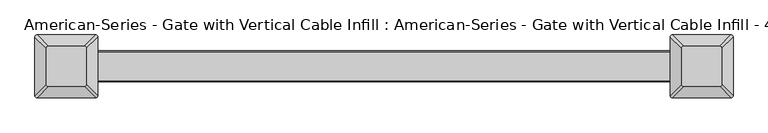
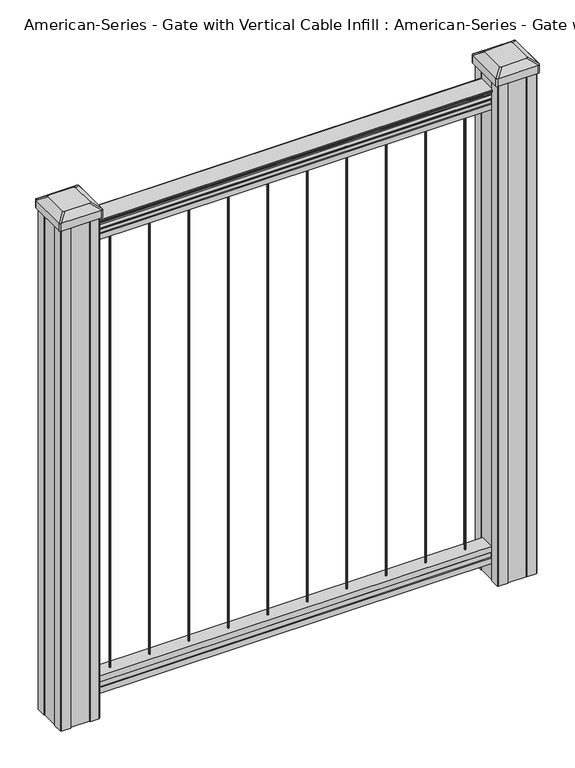
"""IFC4 building model written with IfcOpenShell, lengths in millimetres: proxy geometry."""

from ifc_helpers import new_model, si_unit, point, frame, frame_2d, origin, place, context, project, spatial, polyline, circle_curve, trimmed, segment, composite_curve, outline, extrude, source, transform, mapped, element, save
from ifc_brep_helpers import plane_surface, extruded_surface, advanced_brep


def proxy_68163656(model_context):
    return source(origin(), model_context, "Body", "SolidModel", [
        extrude(outline(composite_curve([segment(trimmed(circle_curve(frame_2d((288.925, 0.0)), 1.5875), [point((288.925, 1.5875))], [point((290.5125, 0.0))], False, "CARTESIAN"), True, "CONTINUOUS"), segment(trimmed(circle_curve(frame_2d((288.925, 0.0)), 1.5875), [point((290.5125, 0.0))], [point((288.925, -1.5875))], False, "CARTESIAN"), True, "CONTINUOUS"), segment(trimmed(circle_curve(frame_2d((288.925, 0.0)), 1.5875), [point((288.925, -1.5875))], [point((287.3375, 0.0))], False, "CARTESIAN"), True, "CONTINUOUS"), segment(trimmed(circle_curve(frame_2d((288.925, 0.0)), 1.5875), [point((287.3375, 0.0))], [point((288.925, 1.5875))], False, "CARTESIAN"), True, "CONTINUOUS")], self_intersect=False)), frame((0.0, 0.0, 101.6), z_axis=(0.0, 0.0, 1.0), x_axis=(1.0, 0.0, 0.0)), (0.0, 0.0, 1.0), 965.2),
        extrude(outline(composite_curve([segment(trimmed(circle_curve(frame_2d((206.375, 0.0)), 1.5875), [point((206.375, 1.5875))], [point((207.9625, 0.0))], False, "CARTESIAN"), True, "CONTINUOUS"), segment(trimmed(circle_curve(frame_2d((206.375, 0.0)), 1.5875), [point((207.9625, 0.0))], [point((206.375, -1.5875))], False, "CARTESIAN"), True, "CONTINUOUS"), segment(trimmed(circle_curve(frame_2d((206.375, 0.0)), 1.5875), [point((206.375, -1.5875))], [point((204.7875, 0.0))], False, "CARTESIAN"), True, "CONTINUOUS"), segment(trimmed(circle_curve(frame_2d((206.375, 0.0)), 1.5875), [point((204.7875, 0.0))], [point((206.375, 1.5875))], False, "CARTESIAN"), True, "CONTINUOUS")], self_intersect=False)), frame((0.0, 0.0, 101.6), z_axis=(0.0, 0.0, 1.0), x_axis=(1.0, 0.0, 0.0)), (0.0, 0.0, 1.0), 965.2),
        extrude(outline(composite_curve([segment(trimmed(circle_curve(frame_2d((123.825, 0.0)), 1.5875), [point((123.825, 1.5875))], [point((125.4125, 0.0))], False, "CARTESIAN"), True, "CONTINUOUS"), segment(trimmed(circle_curve(frame_2d((123.825, 0.0)), 1.5875), [point((125.4125, 0.0))], [point((123.825, -1.5875))], False, "CARTESIAN"), True, "CONTINUOUS"), segment(trimmed(circle_curve(frame_2d((123.825, 0.0)), 1.5875), [point((123.825, -1.5875))], [point((122.2375, 0.0))], False, "CARTESIAN"), True, "CONTINUOUS"), segment(trimmed(circle_curve(frame_2d((123.825, 0.0)), 1.5875), [point((122.2375, 0.0))], [point((123.825, 1.5875))], False, "CARTESIAN"), True, "CONTINUOUS")], self_intersect=False)), frame((0.0, 0.0, 101.6), z_axis=(0.0, 0.0, 1.0), x_axis=(1.0, 0.0, 0.0)), (0.0, 0.0, 1.0), 965.2),
        extrude(outline(composite_curve([segment(trimmed(circle_curve(frame_2d((41.275, 0.0)), 1.5875), [point((41.275, 1.5875))], [point((42.8625, 0.0))], False, "CARTESIAN"), True, "CONTINUOUS"), segment(trimmed(circle_curve(frame_2d((41.275, 0.0)), 1.5875), [point((42.8625, 0.0))], [point((41.275, -1.5875))], False, "CARTESIAN"), True, "CONTINUOUS"), segment(trimmed(circle_curve(frame_2d((41.275, 0.0)), 1.5875), [point((41.275, -1.5875))], [point((39.6875, 0.0))], False, "CARTESIAN"), True, "CONTINUOUS"), segment(trimmed(circle_curve(frame_2d((41.275, 0.0)), 1.5875), [point((39.6875, 0.0))], [point((41.275, 1.5875))], False, "CARTESIAN"), True, "CONTINUOUS")], self_intersect=False)), frame((0.0, 0.0, 101.6), z_axis=(0.0, 0.0, 1.0), x_axis=(1.0, 0.0, 0.0)), (0.0, 0.0, 1.0), 965.2),
        extrude(outline(composite_curve([segment(trimmed(circle_curve(frame_2d((-41.275, 0.0)), 1.5875), [point((-41.275, 1.5875))], [point((-39.6875, 0.0))], False, "CARTESIAN"), True, "CONTINUOUS"), segment(trimmed(circle_curve(frame_2d((-41.275, 0.0)), 1.5875), [point((-39.6875, 0.0))], [point((-41.275, -1.5875))], False, "CARTESIAN"), True, "CONTINUOUS"), segment(trimmed(circle_curve(frame_2d((-41.275, 0.0)), 1.5875), [point((-41.275, -1.5875))], [point((-42.8625, 0.0))], False, "CARTESIAN"), True, "CONTINUOUS"), segment(trimmed(circle_curve(frame_2d((-41.275, 0.0)), 1.5875), [point((-42.8625, 0.0))], [point((-41.275, 1.5875))], False, "CARTESIAN"), True, "CONTINUOUS")], self_intersect=False)), frame((0.0, 0.0, 101.6), z_axis=(0.0, 0.0, 1.0), x_axis=(1.0, 0.0, 0.0)), (0.0, 0.0, 1.0), 965.2),
        extrude(outline(composite_curve([segment(trimmed(circle_curve(frame_2d((-123.825, 0.0)), 1.5875), [point((-123.825, 1.5875))], [point((-122.2375, 0.0))], False, "CARTESIAN"), True, "CONTINUOUS"), segment(trimmed(circle_curve(frame_2d((-123.825, 0.0)), 1.5875), [point((-122.2375, 0.0))], [point((-123.825, -1.5875))], False, "CARTESIAN"), True, "CONTINUOUS"), segment(trimmed(circle_curve(frame_2d((-123.825, 0.0)), 1.5875), [point((-123.825, -1.5875))], [point((-125.4125, 0.0))], False, "CARTESIAN"), True, "CONTINUOUS"), segment(trimmed(circle_curve(frame_2d((-123.825, 0.0)), 1.5875), [point((-125.4125, 0.0))], [point((-123.825, 1.5875))], False, "CARTESIAN"), True, "CONTINUOUS")], self_intersect=False)), frame((0.0, 0.0, 101.6), z_axis=(0.0, 0.0, 1.0), x_axis=(1.0, 0.0, 0.0)), (0.0, 0.0, 1.0), 965.2),
        extrude(outline(composite_curve([segment(trimmed(circle_curve(frame_2d((-206.375, 0.0)), 1.5875), [point((-206.375, 1.5875))], [point((-204.7875, 0.0))], False, "CARTESIAN"), True, "CONTINUOUS"), segment(trimmed(circle_curve(frame_2d((-206.375, 0.0)), 1.5875), [point((-204.7875, 0.0))], [point((-206.375, -1.5875))], False, "CARTESIAN"), True, "CONTINUOUS"), segment(trimmed(circle_curve(frame_2d((-206.375, 0.0)), 1.5875), [point((-206.375, -1.5875))], [point((-207.9625, 0.0))], False, "CARTESIAN"), True, "CONTINUOUS"), segment(trimmed(circle_curve(frame_2d((-206.375, 0.0)), 1.5875), [point((-207.9625, 0.0))], [point((-206.375, 1.5875))], False, "CARTESIAN"), True, "CONTINUOUS")], self_intersect=False)), frame((0.0, 0.0, 101.6), z_axis=(0.0, 0.0, 1.0), x_axis=(1.0, 0.0, 0.0)), (0.0, 0.0, 1.0), 965.2),
        extrude(outline(composite_curve([segment(trimmed(circle_curve(frame_2d((-288.925, 0.0)), 1.5875), [point((-288.925, 1.5875))], [point((-287.3375, 0.0))], False, "CARTESIAN"), True, "CONTINUOUS"), segment(trimmed(circle_curve(frame_2d((-288.925, 0.0)), 1.5875), [point((-287.3375, 0.0))], [point((-288.925, -1.5875))], False, "CARTESIAN"), True, "CONTINUOUS"), segment(trimmed(circle_curve(frame_2d((-288.925, 0.0)), 1.5875), [point((-288.925, -1.5875))], [point((-290.5125, 0.0))], False, "CARTESIAN"), True, "CONTINUOUS"), segment(trimmed(circle_curve(frame_2d((-288.925, 0.0)), 1.5875), [point((-290.5125, 0.0))], [point((-288.925, 1.5875))], False, "CARTESIAN"), True, "CONTINUOUS")], self_intersect=False)), frame((0.0, 0.0, 101.6), z_axis=(0.0, 0.0, 1.0), x_axis=(1.0, 0.0, 0.0)), (0.0, 0.0, 1.0), 965.2),
        extrude(outline(composite_curve([segment(trimmed(circle_curve(frame_2d((371.475, 0.0)), 1.5875), [point((371.475, 1.5875))], [point((373.0625, 0.0))], False, "CARTESIAN"), True, "CONTINUOUS"), segment(trimmed(circle_curve(frame_2d((371.475, 0.0)), 1.5875), [point((373.0625, 0.0))], [point((371.475, -1.5875))], False, "CARTESIAN"), True, "CONTINUOUS"), segment(trimmed(circle_curve(frame_2d((371.475, 0.0)), 1.5875), [point((371.475, -1.5875))], [point((369.8875, 0.0))], False, "CARTESIAN"), True, "CONTINUOUS"), segment(trimmed(circle_curve(frame_2d((371.475, 0.0)), 1.5875), [point((369.8875, 0.0))], [point((371.475, 1.5875))], False, "CARTESIAN"), True, "CONTINUOUS")], self_intersect=False)), frame((0.0, 0.0, 101.6), z_axis=(0.0, 0.0, 1.0), x_axis=(1.0, 0.0, 0.0)), (0.0, 0.0, 1.0), 965.2),
        extrude(outline(composite_curve([segment(trimmed(circle_curve(frame_2d((-371.475, 0.0)), 1.5875), [point((-371.475, 1.5875))], [point((-369.8875, 0.0))], False, "CARTESIAN"), True, "CONTINUOUS"), segment(trimmed(circle_curve(frame_2d((-371.475, 0.0)), 1.5875), [point((-369.8875, 0.0))], [point((-371.475, -1.5875))], False, "CARTESIAN"), True, "CONTINUOUS"), segment(trimmed(circle_curve(frame_2d((-371.475, 0.0)), 1.5875), [point((-371.475, -1.5875))], [point((-373.0625, 0.0))], False, "CARTESIAN"), True, "CONTINUOUS"), segment(trimmed(circle_curve(frame_2d((-371.475, 0.0)), 1.5875), [point((-373.0625, 0.0))], [point((-371.475, 1.5875))], False, "CARTESIAN"), True, "CONTINUOUS")], self_intersect=False)), frame((0.0, 0.0, 101.6), z_axis=(0.0, 0.0, 1.0), x_axis=(1.0, 0.0, 0.0)), (0.0, 0.0, 1.0), 965.2),
        extrude(outline(composite_curve([segment(polyline([(1090.8043297, 17.4328287), (1092.692412, 17.4328287)]), True, "CONTINUOUS"), segment(trimmed(circle_curve(frame_2d((1098.4506383, 11.1180755)), 8.545951), [point((1092.692412, 17.4328287))], [point((1094.2546695, 18.563015))], False, "CARTESIAN"), True, "CONTINUOUS"), segment(trimmed(circle_curve(frame_2d((1097.8636577, 11.5551384)), 7.882584), [point((1094.2546695, 18.563015))], [point((1101.4726458, 18.563015))], False, "CARTESIAN"), True, "CONTINUOUS"), segment(trimmed(circle_curve(frame_2d((1103.7112527, 22.0684625)), 4.1592695), [point((1101.4726458, 18.563015))], [point((1103.9060812, 17.9137586))], True, "CARTESIAN"), True, "CONTINUOUS"), segment(trimmed(circle_curve(frame_2d((1103.6508864, 23.3557691)), 5.4479907), [point((1103.9060812, 17.9137586))], [point((1108.2362083, 20.4137586))], True, "CARTESIAN"), True, "CONTINUOUS"), segment(trimmed(circle_curve(frame_2d((1108.233395, 22.1226107)), 1.7088543), [point((1108.2362083, 20.4137586))], [point((1109.9157972, 21.8231011))], True, "CARTESIAN"), True, "CONTINUOUS"), segment(trimmed(circle_curve(frame_2d((1111.0205318, 20.5057106)), 1.7192895), [point((1109.9157972, 21.8231011))], [point((1111.0205318, 22.2250001))], False, "CARTESIAN"), True, "CONTINUOUS"), segment(polyline([(1111.0205318, 22.2250001), (1112.3608158, 22.225)]), True, "CONTINUOUS"), segment(trimmed(circle_curve(frame_2d((1112.3608158, 20.6715528)), 1.5534472), [point((1112.3608158, 22.225))], [point((1113.914263, 20.6715528))], False, "CARTESIAN"), True, "CONTINUOUS"), segment(polyline([(1113.914263, 20.6715528), (1113.914263, -20.6715528)]), True, "CONTINUOUS"), segment(trimmed(circle_curve(frame_2d((1112.3608158, -20.6715528)), 1.5534472), [point((1113.914263, -20.6715528))], [point((1112.3608158, -22.225))], False, "CARTESIAN"), True, "CONTINUOUS"), segment(polyline([(1112.3608158, -22.225), (1111.0205318, -22.225)]), True, "CONTINUOUS"), segment(trimmed(circle_curve(frame_2d((1111.0205318, -20.5057106)), 1.7192895), [point((1111.0205318, -22.225))], [point((1109.9157972, -21.8231011))], False, "CARTESIAN"), True, "CONTINUOUS"), segment(trimmed(circle_curve(frame_2d((1108.233395, -22.1226107)), 1.7088543), [point((1109.9157972, -21.8231011))], [point((1108.2362083, -20.4137586))], True, "CARTESIAN"), True, "CONTINUOUS"), segment(trimmed(circle_curve(frame_2d((1103.6508864, -23.3557691)), 5.4479907), [point((1108.2362083, -20.4137586))], [point((1103.9060812, -17.9137586))], True, "CARTESIAN"), True, "CONTINUOUS"), segment(trimmed(circle_curve(frame_2d((1103.7112527, -22.0684625)), 4.1592695), [point((1103.9060812, -17.9137586))], [point((1101.4726458, -18.563015))], True, "CARTESIAN"), True, "CONTINUOUS"), segment(trimmed(circle_curve(frame_2d((1097.8636577, -11.5551384)), 7.882584), [point((1101.4726458, -18.563015))], [point((1094.2546695, -18.563015))], False, "CARTESIAN"), True, "CONTINUOUS"), segment(trimmed(circle_curve(frame_2d((1098.4506383, -11.1180755)), 8.545951), [point((1094.2546695, -18.563015))], [point((1092.692412, -17.4328287))], False, "CARTESIAN"), True, "CONTINUOUS"), segment(polyline([(1092.692412, -17.4328287), (1090.8043297, -17.4328287)]), True, "CONTINUOUS"), segment(trimmed(circle_curve(frame_2d((1090.8043297, -16.1459144)), 1.2869144), [point((1090.8043297, -17.4328287))], [point((1090.8043297, -14.859))], False, "CARTESIAN"), True, "CONTINUOUS"), segment(polyline([(1090.8043297, -14.859), (1080.3048283, -14.859), (1079.2888283, -15.875), (1066.8, -15.875), (1066.8, 15.875), (1079.131013, 15.875), (1080.147013, 14.859), (1090.8043297, 14.859)]), True, "CONTINUOUS"), segment(trimmed(circle_curve(frame_2d((1090.8043297, 16.1459144)), 1.2869144), [point((1090.8043297, 14.859))], [point((1090.8043297, 17.4328287))], False, "CARTESIAN"), True, "CONTINUOUS")], self_intersect=False)), frame((457.2, 0.0, 0.0), z_axis=(-1.0, 0.0, 0.0), x_axis=(0.0, 0.0, 1.0)), (0.0, 0.0, 1.0), 914.4),
        extrude(outline(polyline([(-15.9124869, 76.0541976), (-14.8964869, 77.3546183), (-14.8964869, 87.7141717), (-15.9124869, 89.0624492), (-15.9124869, 101.5958781), (15.8375131, 101.5958781), (15.8375131, 89.0458024), (14.8215131, 87.6975248), (14.8215131, 77.3858283), (15.8375131, 76.0375508), (15.8375131, 63.5), (-15.9124869, 63.5), (-15.9124869, 76.0541976)])), frame((-457.2, 0.0, 0.0), z_axis=(1.0, 0.0, 0.0), x_axis=(0.0, 1.0, 0.0)), (0.0, 0.0, 1.0), 914.4),
        advanced_brep(
        [(431.403125, 28.971875, 1165.225), (428.228125, 25.796875, 1165.225), (428.228125, -25.796875, 1165.225), (431.403125, -28.971875, 1165.225), (482.996875, -28.971875, 1165.225), (486.171875, -25.796875, 1165.225), (486.171875, 25.796875, 1165.225), (482.996875, 28.971875, 1165.225), (415.13125, 45.24375, 1153.922), (499.26875, 45.24375, 1153.922), (502.44375, 42.06875, 1153.922), (502.44375, -42.06875, 1153.922), (499.26875, -45.24375, 1153.922), (415.13125, -45.24375, 1153.922), (411.95625, -42.06875, 1153.922), (411.95625, 42.06875, 1153.922)],
        [
            (0, 1, circle_curve(frame((431.403125, 25.796875, 1165.225), z_axis=(0.0, 0.0, 1.0), x_axis=(0.0, -1.0, 0.0)), 3.175)),
            (1, 2),
            (2, 3, circle_curve(frame((431.403125, -25.796875, 1165.225), z_axis=(0.0, 0.0, 1.0), x_axis=(0.0, -1.0, 0.0)), 3.175)),
            (3, 4),
            (4, 5, circle_curve(frame((482.996875, -25.796875, 1165.225), z_axis=(0.0, 0.0, 1.0), x_axis=(0.0, -1.0, 0.0)), 3.175)),
            (5, 6),
            (6, 7, circle_curve(frame((482.996875, 25.796875, 1165.225), z_axis=(0.0, 0.0, 1.0), x_axis=(0.0, -1.0, 0.0)), 3.175)),
            (7, 0),
            (8, 9),
            (9, 10, circle_curve(frame((499.26875, 42.06875, 1153.922), z_axis=(0.0, 0.0, -1.0), x_axis=(0.0, -1.0, 0.0)), 3.175)),
            (10, 11),
            (11, 12, circle_curve(frame((499.26875, -42.06875, 1153.922), z_axis=(0.0, 0.0, -1.0), x_axis=(0.0, -1.0, 0.0)), 3.175)),
            (12, 13),
            (13, 14, circle_curve(frame((415.13125, -42.06875, 1153.922), z_axis=(0.0, 0.0, -1.0), x_axis=(0.0, -1.0, 0.0)), 3.175)),
            (14, 15),
            (15, 8, circle_curve(frame((415.13125, 42.06875, 1153.922), z_axis=(0.0, 0.0, -1.0), x_axis=(0.0, -1.0, 0.0)), 3.175)),
            (15, 1),
            (0, 8),
            (14, 2),
            (13, 3),
            (12, 4),
            (11, 5),
            (10, 6),
            (9, 7),
        ],
        [
            plane_surface(frame((457.2, 0.0, 1165.225), z_axis=(0.0, 0.0, 1.0), x_axis=(-1.0, 0.0, 0.0))),
            plane_surface(frame((457.2, 0.0, 1153.922), z_axis=(0.0, 0.0, -1.0), x_axis=(-1.0, 0.0, 0.0))),
            extruded_surface(trimmed(circle_curve(frame((415.13125, 42.06875, 1153.922), z_axis=(0.0, 0.0, 1.0), x_axis=(0.0, -1.0, 0.0)), 3.175), [point((415.13125, 45.24375, 1153.922))], [point((411.95625, 42.06875, 1153.922))], True, "CARTESIAN"), (16.271874999999966, -16.271875, 11.302999999999884), 25.637972638866092),
            plane_surface(frame((411.95625, 0.0, 1153.922), z_axis=(-0.5705009161540777, 0.0, 0.8212969649690409), x_axis=(0.0, -1.0, 0.0))),
            extruded_surface(trimmed(circle_curve(frame((415.13125, -42.06875, 1153.922), z_axis=(0.0, 0.0, 1.0), x_axis=(0.0, -1.0, 0.0)), 3.175), [point((411.95625, -42.06875, 1153.922))], [point((415.13125, -45.24375, 1153.922))], True, "CARTESIAN"), (16.271874999999966, 16.271875, 11.302999999999884), 25.637972638866092),
            plane_surface(frame((457.2, -45.24375, 1153.922), z_axis=(0.0, -0.5705009161540291, 0.8212969649690747), x_axis=(1.0, 0.0, 0.0))),
            extruded_surface(trimmed(circle_curve(frame((499.26875, -42.06875, 1153.922), z_axis=(0.0, 0.0, 1.0), x_axis=(0.0, -1.0, 0.0)), 3.175), [point((499.26875, -45.24375, 1153.922))], [point((502.44375, -42.06875, 1153.922))], True, "CARTESIAN"), (-16.271875000000023, 16.271875, 11.302999999999884), 25.637972638866128),
            plane_surface(frame((502.44375, 0.0, 1153.922), z_axis=(0.5705009161540143, 0.0, 0.821296964969085), x_axis=(0.0, 1.0, 0.0))),
            extruded_surface(trimmed(circle_curve(frame((499.26875, 42.06875, 1153.922), z_axis=(0.0, 0.0, 1.0), x_axis=(0.0, -1.0, 0.0)), 3.175), [point((502.44375, 42.06875, 1153.922))], [point((499.26875, 45.24375, 1153.922))], True, "CARTESIAN"), (-16.271875000000023, -16.271875, 11.302999999999884), 25.637972638866128),
            plane_surface(frame((457.2, 45.24375, 1153.922), z_axis=(0.0, 0.570500916154034, 0.8212969649690713), x_axis=(-1.0, 0.0, 0.0))),
        ],
        [
            (0, [[1, 2, 3, 4, 5, 6, 7, 8]]),
            (1, [[9, 10, 11, 12, 13, 14, 15, 16]]),
            (2, [[-16, 17, -1, 18]]),
            (3, [[-15, 19, -2, -17]]),
            (4, [[-14, 20, -3, -19]]),
            (5, [[-13, 21, -4, -20]]),
            (6, [[-12, 22, -5, -21]]),
            (7, [[-11, 23, -6, -22]]),
            (8, [[-10, 24, -7, -23]]),
            (9, [[-9, -18, -8, -24]]),
        ],
    ),
        extrude(outline(composite_curve([segment(polyline([(415.13125, 45.24375), (499.26875, 45.24375)]), True, "CONTINUOUS"), segment(trimmed(circle_curve(frame_2d((499.26875, 42.06875)), 3.175), [point((499.26875, 45.24375))], [point((502.44375, 42.06875))], False, "CARTESIAN"), True, "CONTINUOUS"), segment(polyline([(502.44375, 42.06875), (502.44375, -42.06875)]), True, "CONTINUOUS"), segment(trimmed(circle_curve(frame_2d((499.26875, -42.06875)), 3.175), [point((502.44375, -42.06875))], [point((499.26875, -45.24375))], False, "CARTESIAN"), True, "CONTINUOUS"), segment(polyline([(499.26875, -45.24375), (415.13125, -45.24375)]), True, "CONTINUOUS"), segment(trimmed(circle_curve(frame_2d((415.13125, -42.06875)), 3.175), [point((415.13125, -45.24375))], [point((411.95625, -42.06875))], False, "CARTESIAN"), True, "CONTINUOUS"), segment(polyline([(411.95625, -42.06875), (411.95625, 42.06875)]), True, "CONTINUOUS"), segment(trimmed(circle_curve(frame_2d((415.13125, 42.06875)), 3.175), [point((411.95625, 42.06875))], [point((415.13125, 45.24375))], False, "CARTESIAN"), True, "CONTINUOUS")], self_intersect=False)), frame((0.0, 0.0, 1136.65), z_axis=(0.0, 0.0, 1.0), x_axis=(1.0, 0.0, 0.0)), (0.0, 0.0, 1.0), 17.272),
        extrude(outline(polyline([(417.5125, 41.275), (437.134, 41.275), (437.896, 39.6875), (476.504, 39.6875), (477.266, 41.275), (496.8875, 41.275), (498.475, 39.6875), (498.475, 20.066), (496.8875, 19.304), (496.8875, -19.304), (498.475, -20.066), (498.475, -39.6875), (496.8875, -41.275), (477.266, -41.275), (476.504, -39.6875), (437.896, -39.6875), (437.134, -41.275), (417.5125, -41.275), (415.925, -39.6875), (415.925, -20.066), (417.5125, -19.304), (417.5125, 19.304), (415.925, 20.066), (415.925, 39.6875), (417.5125, 41.275)])), frame((0.0, 0.0, 28.575), z_axis=(0.0, 0.0, 1.0), x_axis=(1.0, 0.0, 0.0)), (0.0, 0.0, 1.0), 1108.075),
        advanced_brep(
        [(-482.996875, 28.971875, 1165.225), (-486.171875, 25.796875, 1165.225), (-486.171875, -25.796875, 1165.225), (-482.996875, -28.971875, 1165.225), (-431.403125, -28.971875, 1165.225), (-428.228125, -25.796875, 1165.225), (-428.228125, 25.796875, 1165.225), (-431.403125, 28.971875, 1165.225), (-499.26875, 45.24375, 1153.922), (-415.13125, 45.24375, 1153.922), (-411.95625, 42.06875, 1153.922), (-411.95625, -42.06875, 1153.922), (-415.13125, -45.24375, 1153.922), (-499.26875, -45.24375, 1153.922), (-502.44375, -42.06875, 1153.922), (-502.44375, 42.06875, 1153.922)],
        [
            (0, 1, circle_curve(frame((-482.996875, 25.796875, 1165.225), z_axis=(0.0, 0.0, 1.0), x_axis=(0.0, -1.0, 0.0)), 3.175)),
            (1, 2),
            (2, 3, circle_curve(frame((-482.996875, -25.796875, 1165.225), z_axis=(0.0, 0.0, 1.0), x_axis=(0.0, -1.0, 0.0)), 3.175)),
            (3, 4),
            (4, 5, circle_curve(frame((-431.403125, -25.796875, 1165.225), z_axis=(0.0, 0.0, 1.0), x_axis=(0.0, -1.0, 0.0)), 3.175)),
            (5, 6),
            (6, 7, circle_curve(frame((-431.403125, 25.796875, 1165.225), z_axis=(0.0, 0.0, 1.0), x_axis=(0.0, -1.0, 0.0)), 3.175)),
            (7, 0),
            (8, 9),
            (9, 10, circle_curve(frame((-415.13125, 42.06875, 1153.922), z_axis=(0.0, 0.0, -1.0), x_axis=(0.0, -1.0, 0.0)), 3.175)),
            (10, 11),
            (11, 12, circle_curve(frame((-415.13125, -42.06875, 1153.922), z_axis=(0.0, 0.0, -1.0), x_axis=(0.0, -1.0, 0.0)), 3.175)),
            (12, 13),
            (13, 14, circle_curve(frame((-499.26875, -42.06875, 1153.922), z_axis=(0.0, 0.0, -1.0), x_axis=(0.0, -1.0, 0.0)), 3.175)),
            (14, 15),
            (15, 8, circle_curve(frame((-499.26875, 42.06875, 1153.922), z_axis=(0.0, 0.0, -1.0), x_axis=(0.0, -1.0, 0.0)), 3.175)),
            (15, 1),
            (0, 8),
            (14, 2),
            (13, 3),
            (12, 4),
            (11, 5),
            (10, 6),
            (9, 7),
        ],
        [
            plane_surface(frame((-457.2, 0.0, 1165.225), z_axis=(0.0, 0.0, 1.0), x_axis=(-1.0, 0.0, 0.0))),
            plane_surface(frame((-457.2, 0.0, 1153.922), z_axis=(0.0, 0.0, -1.0), x_axis=(-1.0, 0.0, 0.0))),
            extruded_surface(trimmed(circle_curve(frame((-499.26875, 42.06875, 1153.922), z_axis=(0.0, 0.0, 1.0), x_axis=(0.0, -1.0, 0.0)), 3.175), [point((-499.26875, 45.24375, 1153.922))], [point((-502.44375, 42.06875, 1153.922))], True, "CARTESIAN"), (16.271875000000023, -16.271875, 11.302999999999884), 25.637972638866128),
            plane_surface(frame((-502.44375, 0.0, 1153.922), z_axis=(-0.5705009161540777, 0.0, 0.8212969649690409), x_axis=(0.0, -1.0, 0.0))),
            extruded_surface(trimmed(circle_curve(frame((-499.26875, -42.06875, 1153.922), z_axis=(0.0, 0.0, 1.0), x_axis=(0.0, -1.0, 0.0)), 3.175), [point((-502.44375, -42.06875, 1153.922))], [point((-499.26875, -45.24375, 1153.922))], True, "CARTESIAN"), (16.271875000000023, 16.271875, 11.302999999999884), 25.637972638866128),
            plane_surface(frame((-457.2, -45.24375, 1153.922), z_axis=(0.0, -0.5705009161540291, 0.8212969649690747), x_axis=(1.0, 0.0, 0.0))),
            extruded_surface(trimmed(circle_curve(frame((-415.13125, -42.06875, 1153.922), z_axis=(0.0, 0.0, 1.0), x_axis=(0.0, -1.0, 0.0)), 3.175), [point((-415.13125, -45.24375, 1153.922))], [point((-411.95625, -42.06875, 1153.922))], True, "CARTESIAN"), (-16.271874999999966, 16.271875, 11.302999999999884), 25.637972638866092),
            plane_surface(frame((-411.95625, 0.0, 1153.922), z_axis=(0.5705009161540143, 0.0, 0.821296964969085), x_axis=(0.0, 1.0, 0.0))),
            extruded_surface(trimmed(circle_curve(frame((-415.13125, 42.06875, 1153.922), z_axis=(0.0, 0.0, 1.0), x_axis=(0.0, -1.0, 0.0)), 3.175), [point((-411.95625, 42.06875, 1153.922))], [point((-415.13125, 45.24375, 1153.922))], True, "CARTESIAN"), (-16.271874999999966, -16.271875, 11.302999999999884), 25.637972638866092),
            plane_surface(frame((-457.2, 45.24375, 1153.922), z_axis=(0.0, 0.570500916154034, 0.8212969649690713), x_axis=(-1.0, 0.0, 0.0))),
        ],
        [
            (0, [[1, 2, 3, 4, 5, 6, 7, 8]]),
            (1, [[9, 10, 11, 12, 13, 14, 15, 16]]),
            (2, [[-16, 17, -1, 18]]),
            (3, [[-15, 19, -2, -17]]),
            (4, [[-14, 20, -3, -19]]),
            (5, [[-13, 21, -4, -20]]),
            (6, [[-12, 22, -5, -21]]),
            (7, [[-11, 23, -6, -22]]),
            (8, [[-10, 24, -7, -23]]),
            (9, [[-9, -18, -8, -24]]),
        ],
    ),
        extrude(outline(composite_curve([segment(polyline([(-499.26875, 45.24375), (-415.13125, 45.24375)]), True, "CONTINUOUS"), segment(trimmed(circle_curve(frame_2d((-415.13125, 42.06875)), 3.175), [point((-415.13125, 45.24375))], [point((-411.95625, 42.06875))], False, "CARTESIAN"), True, "CONTINUOUS"), segment(polyline([(-411.95625, 42.06875), (-411.95625, -42.06875)]), True, "CONTINUOUS"), segment(trimmed(circle_curve(frame_2d((-415.13125, -42.06875)), 3.175), [point((-411.95625, -42.06875))], [point((-415.13125, -45.24375))], False, "CARTESIAN"), True, "CONTINUOUS"), segment(polyline([(-415.13125, -45.24375), (-499.26875, -45.24375)]), True, "CONTINUOUS"), segment(trimmed(circle_curve(frame_2d((-499.26875, -42.06875)), 3.175), [point((-499.26875, -45.24375))], [point((-502.44375, -42.06875))], False, "CARTESIAN"), True, "CONTINUOUS"), segment(polyline([(-502.44375, -42.06875), (-502.44375, 42.06875)]), True, "CONTINUOUS"), segment(trimmed(circle_curve(frame_2d((-499.26875, 42.06875)), 3.175), [point((-502.44375, 42.06875))], [point((-499.26875, 45.24375))], False, "CARTESIAN"), True, "CONTINUOUS")], self_intersect=False)), frame((0.0, 0.0, 1136.65), z_axis=(0.0, 0.0, 1.0), x_axis=(1.0, 0.0, 0.0)), (0.0, 0.0, 1.0), 17.272),
        extrude(outline(polyline([(-496.8875, 41.275), (-477.266, 41.275), (-476.504, 39.6875), (-437.896, 39.6875), (-437.134, 41.275), (-417.5125, 41.275), (-415.925, 39.6875), (-415.925, 20.066), (-417.5125, 19.304), (-417.5125, -19.304), (-415.925, -20.066), (-415.925, -39.6875), (-417.5125, -41.275), (-437.134, -41.275), (-437.896, -39.6875), (-476.504, -39.6875), (-477.266, -41.275), (-496.8875, -41.275), (-498.475, -39.6875), (-498.475, -20.066), (-496.8875, -19.304), (-496.8875, 19.304), (-498.475, 20.066), (-498.475, 39.6875), (-496.8875, 41.275)])), frame((0.0, 0.0, 28.575), z_axis=(0.0, 0.0, 1.0), x_axis=(1.0, 0.0, 0.0)), (0.0, 0.0, 1.0), 1108.075),
    ])


if __name__ == "__main__":
    model = new_model("IFC4")
    model_context = context("Model", 3, world=origin())
    ifc_project = project(units=[si_unit("LENGTHUNIT", "METRE", prefix="MILLI")], contexts=[model_context])
    site = spatial("IfcSite", under=ifc_project)
    building = spatial("IfcBuilding", under=site)
    placement = place(None, origin())
    proxy_shape = proxy_68163656(model_context)
    element("IfcBuildingElementProxy", 1, Name="American-Series - Gate with Vertical Cable Infill : American-Series - Gate with Vertical Cable Infill - 42\"x36\"", ObjectType="American-Series - Gate with Vertical Cable Infill : American-Series - Gate with Vertical Cable Infill - 42\"x36\"", at=placement, inside=building, context=model_context, shape_type="MappedRepresentation", body=[
        mapped(proxy_shape, transform((0.0, 0.0, 0.0), x_axis=(1.0, 0.0, 0.0), y_axis=(0.0, 1.0, 0.0), z_axis=(0.0, 0.0, 1.0))),
    ])
    save(model, "model.ifc")
